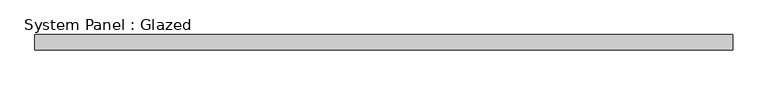
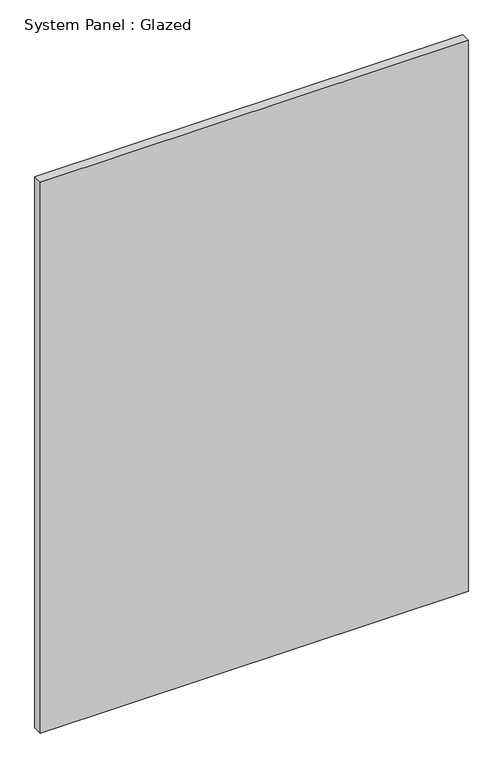
"""IFC4 building model written with IfcOpenShell, lengths in millimetres: plate geometry, System Panel : Glazed."""

from ifc_helpers import new_model, si_unit, origin, origin_with_axes, place, context, project, spatial, polyline, outline, extrude, source, transform, mapped, element, save


def system_panel_glazed_7e49f2c4(model_context):
    return source(origin(), model_context, "Body", "SweptSolid", [
        extrude(outline(polyline([(577.375, 19.05), (-577.375, 19.05), (-577.375, 44.45), (577.375, 44.45), (577.375, 19.05)])), origin_with_axes(), (0.0, 0.0, 1.0), 1570.7535601),
    ])


if __name__ == "__main__":
    model = new_model("IFC4")
    model_context = context("Model", 3, world=origin())
    ifc_project = project(units=[si_unit("LENGTHUNIT", "METRE", prefix="MILLI")], contexts=[model_context])
    site = spatial("IfcSite", under=ifc_project)
    building = spatial("IfcBuilding", under=site)
    placement = place(None, origin())
    system_panel_glazed_shape = system_panel_glazed_7e49f2c4(model_context)
    element("IfcPlate", 1, ObjectType="System Panel : Glazed", at=placement, inside=building, context=model_context, shape_type="MappedRepresentation", body=[
        mapped(system_panel_glazed_shape, transform((0.0, 0.0, 0.0), x_axis=(1.0, 0.0, 0.0), y_axis=(0.0, 1.0, 0.0), z_axis=(0.0, 0.0, 1.0))),
    ])
    save(model, "model.ifc")
